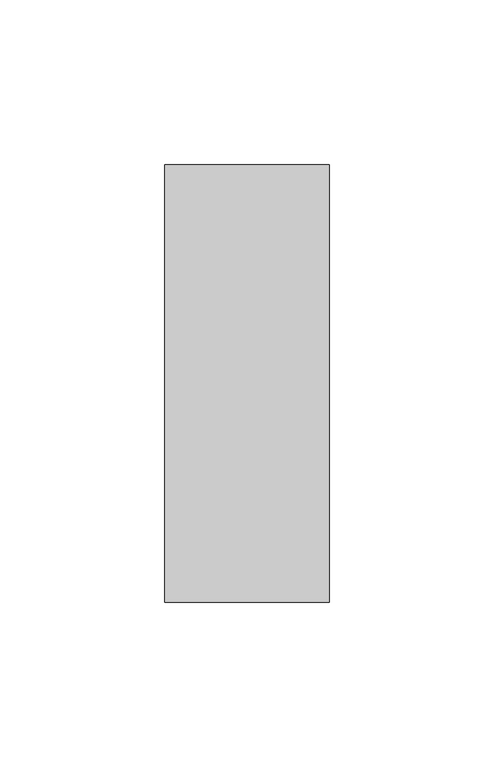
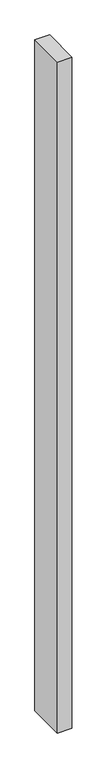
"""IFC4 building model written with IfcOpenShell, lengths in millimetres: member geometry."""

import ifcopenshell
import ifcopenshell.guid

model = None  # the IFC model being written
_history = None  # IfcOwnerHistory: only IFC2X3 demands one
_inside = {}  # id of a spatial element -> (the spatial element, [elements in it])
_under = {}  # id of a project, library or spatial element -> (it, [spatial elements below it])
_declared = {}  # id of a project -> (the project, [libraries it declares])
_typed = {}  # id of a type object -> (the type object, [elements of that type])
_made_of = {}  # id of a material, layer set ... -> (it, [elements and type objects made of it])


def new_model(schema):
    """Start an empty IFC model of exactly this schema.

    Asked for "IFC4X3", IfcOpenShell would pick the latest addendum, in which some entities
    have other attributes; the version numbers below select the first issue.
    IFC2X3 requires an IfcOwnerHistory on every rooted entity: one is made here for all.
    """
    global model, _history
    if schema == "IFC4X3":
        model = ifcopenshell.file(schema_version=(4, 3, 0, 0))
    else:
        model = ifcopenshell.file(schema=schema)
    _inside.clear()
    _under.clear()
    _declared.clear()
    _typed.clear()
    _made_of.clear()
    _history = None
    if model.schema == "IFC2X3":
        org = make("IfcOrganization", Name="unknown")
        user = make(
            "IfcPersonAndOrganization",
            ThePerson=make("IfcPerson", FamilyName="unknown"),
            TheOrganization=org,
        )
        app = make(
            "IfcApplication",
            ApplicationDeveloper=org,
            Version="unknown",
            ApplicationFullName="unknown",
            ApplicationIdentifier="unknown",
        )
        _history = make(
            "IfcOwnerHistory",
            OwningUser=user,
            OwningApplication=app,
            ChangeAction="ADDED",
            CreationDate=0,
        )
    return model


def make(cls, **values):
    """One entity of the class cls with the attributes given. An attribute that is None is left unset."""
    return model.create_entity(
        cls, **{name: value for name, value in values.items() if value is not None}
    )


def rooted(cls, **values):
    """An entity with a GlobalId (a new one), such as an element, a storey or a relation."""
    return make(cls, GlobalId=ifcopenshell.guid.new(), OwnerHistory=_history, **values)


def si_unit(unit_type, name, prefix=None):
    """IfcSIUnit, for example si_unit("LENGTHUNIT", "METRE", prefix="MILLI")."""
    return make("IfcSIUnit", UnitType=unit_type, Prefix=prefix, Name=name)


def assignment(units):
    """IfcUnitAssignment: the units of a project."""
    return None if units is None else make("IfcUnitAssignment", Units=units)


def point(xyz):
    """IfcCartesianPoint."""
    return None if xyz is None else make("IfcCartesianPoint", Coordinates=xyz)


def direction(xyz):
    """IfcDirection."""
    return None if xyz is None else make("IfcDirection", DirectionRatios=xyz)


def frame(location, z_axis=None, x_axis=None):
    """IfcAxis2Placement3D, a coordinate frame: its origin and axes. An axis left out is left unset."""
    return make(
        "IfcAxis2Placement3D",
        Location=point(location),
        Axis=direction(z_axis),
        RefDirection=direction(x_axis),
    )


def origin():
    """The frame at (0, 0, 0) with its axes left unset."""
    return frame((0.0, 0.0, 0.0))


def place(relative_to, where):
    """IfcLocalPlacement: puts the frame where relative to a parent placement (None: the world)."""
    return make(
        "IfcLocalPlacement", PlacementRelTo=relative_to, RelativePlacement=where
    )


def context(
    kind, dimensions, precision=None, world=None, true_north=None, identifier=None
):
    """IfcGeometricRepresentationContext, for example the 3D "Model" context."""
    return make(
        "IfcGeometricRepresentationContext",
        ContextIdentifier=identifier,
        ContextType=kind,
        CoordinateSpaceDimension=dimensions,
        Precision=precision,
        WorldCoordinateSystem=world,
        TrueNorth=true_north,
    )


def project(units=None, contexts=None):
    """IfcProject with its units and contexts."""
    return rooted(
        "IfcProject",
        Name="project",
        RepresentationContexts=contexts,
        UnitsInContext=assignment(units),
    )


def spatial(cls, under=None, at=None, **own):
    """A site, building, storey or space (cls), placed at a placement, below another one or the project."""
    s = rooted(cls, ObjectPlacement=at, **own)
    if under is not None:
        _under.setdefault(under.id(), (under, []))[1].append(s)
    return s


def polyline(points):
    """IfcPolyline through the points."""
    return make("IfcPolyline", Points=[point(p) for p in points])


def outline(outer, holes=None, kind="AREA"):
    """IfcArbitraryClosedProfileDef: a profile drawn as a closed curve; with holes, ...WithVoids."""
    if holes is None:
        return make("IfcArbitraryClosedProfileDef", ProfileType=kind, OuterCurve=outer)
    return make(
        "IfcArbitraryProfileDefWithVoids",
        ProfileType=kind,
        OuterCurve=outer,
        InnerCurves=holes,
    )


def extrude(swept, where, along, depth):
    """IfcExtrudedAreaSolid: the profile swept, set in the frame where, extruded along a direction by depth."""
    return make(
        "IfcExtrudedAreaSolid",
        SweptArea=swept,
        Position=where,
        ExtrudedDirection=direction(along),
        Depth=depth,
    )


def shape(context_of_items, identifier, shape_type, items):
    """IfcShapeRepresentation: the items that make up one representation, for example the "Body"."""
    return make(
        "IfcShapeRepresentation",
        ContextOfItems=context_of_items,
        RepresentationIdentifier=identifier,
        RepresentationType=shape_type,
        Items=items,
    )


def source(mapping_origin, context_of_items, identifier, shape_type, items):
    """IfcRepresentationMap: a shape defined once, which mapped items show again and again."""
    return make(
        "IfcRepresentationMap",
        MappingOrigin=mapping_origin,
        MappedRepresentation=shape(context_of_items, identifier, shape_type, items),
    )


def transform(
    local_origin,
    x_axis=None,
    y_axis=None,
    z_axis=None,
    scale=None,
    scale2=None,
    scale3=None,
    uniform=True,
):
    """IfcCartesianTransformationOperator3D, or its non-uniform kind. x_axis, y_axis, z_axis: its Axis1, 2, 3."""
    if uniform:
        return make(
            "IfcCartesianTransformationOperator3D",
            Axis1=direction(x_axis),
            Axis2=direction(y_axis),
            LocalOrigin=point(local_origin),
            Scale=scale,
            Axis3=direction(z_axis),
        )
    return make(
        "IfcCartesianTransformationOperator3DnonUniform",
        Axis1=direction(x_axis),
        Axis2=direction(y_axis),
        LocalOrigin=point(local_origin),
        Scale=scale,
        Axis3=direction(z_axis),
        Scale2=scale2,
        Scale3=scale3,
    )


def mapped(mapping_source, mapping_target):
    """IfcMappedItem: shows the shape of a source again, moved by a transform."""
    return make(
        "IfcMappedItem", MappingSource=mapping_source, MappingTarget=mapping_target
    )


def made_of(thing, what):
    """Note that an element or type object is made of a material, layer set ...; save() writes the relation."""
    if what is not None:
        _made_of.setdefault(what.id(), (what, []))[1].append(thing)
    return thing


def element(
    cls,
    number,
    at=None,
    inside=None,
    cuts=None,
    type_object=None,
    material=None,
    context=None,
    identifier="Body",
    shape_type=None,
    held_by="IfcProductDefinitionShape",
    body=None,
    shapes=None,
    **own,
):
    """One element of the class cls, such as IfcWall. Its Tag is "e" and its number.

    at: its placement. inside: the storey or other place that contains it. cuts: it is an
    opening in that element (IfcRelVoidsElement). A single representation is given by context,
    identifier, shape_type and body (its items); several are given by shapes. held_by: the class
    of the entity that holds the representations. save() writes the other relations.
    """
    e = rooted(cls, Tag="e%d" % number, ObjectPlacement=at, **own)
    if body is not None:
        shapes = [shape(context, identifier, shape_type, body)]
    if shapes is not None:
        e.Representation = make(held_by, Representations=shapes)
    if inside is not None:
        _inside.setdefault(inside.id(), (inside, []))[1].append(e)
    if cuts is not None:
        rooted(
            "IfcRelVoidsElement", RelatingBuildingElement=cuts, RelatedOpeningElement=e
        )
    if type_object is not None:
        _typed.setdefault(type_object.id(), (type_object, []))[1].append(e)
    return made_of(e, material)


def aggregate(whole, parts):
    """IfcRelAggregates: a whole, such as a stair, and the parts it consists of."""
    return rooted("IfcRelAggregates", RelatingObject=whole, RelatedObjects=parts)


def save(model, path):
    """Write the relations noted so far, then the file.

    IfcRelAggregates (storeys below a building ...), IfcRelContainedInSpatialStructure (elements
    in a storey), IfcRelDefinesByType, IfcRelAssociatesMaterial and IfcRelDeclares: one each for
    every whole, place, type object, material and project.
    """
    for whole, parts in _under.values():
        aggregate(whole, parts)
    for where, things in _inside.values():
        rooted(
            "IfcRelContainedInSpatialStructure",
            RelatedElements=things,
            RelatingStructure=where,
        )
    for kind, things in _typed.values():
        rooted("IfcRelDefinesByType", RelatedObjects=things, RelatingType=kind)
    for what, things in _made_of.values():
        rooted("IfcRelAssociatesMaterial", RelatedObjects=things, RelatingMaterial=what)
    for by, libraries in _declared.values():
        rooted("IfcRelDeclares", RelatingContext=by, RelatedDefinitions=libraries)
    model.write(path)


def member_4f44f9c9(model_context):
    return source(origin(), model_context, "Body", "SweptSolid", [
        extrude(outline(polyline([(-50.0, -22.0), (-50.0, 111.0), (0.0, 111.0), (0.0, -22.0), (-50.0, -22.0)])), frame((0.0, 0.0, -2425.0), z_axis=(0.0, 0.0, 1.0), x_axis=(1.0, 0.0, 0.0)), (0.0, 0.0, 1.0), 2425.0),
    ])


if __name__ == "__main__":
    model = new_model("IFC4")
    model_context = context("Model", 3, world=origin())
    ifc_project = project(units=[si_unit("LENGTHUNIT", "METRE", prefix="MILLI")], contexts=[model_context])
    site = spatial("IfcSite", under=ifc_project)
    building = spatial("IfcBuilding", under=site)
    placement = place(None, origin())
    member_shape = member_4f44f9c9(model_context)
    element("IfcMember", 1, at=placement, inside=building, context=model_context, shape_type="MappedRepresentation", body=[
        mapped(member_shape, transform((0.0, 0.0, 0.0), x_axis=(1.0, 0.0, 0.0), y_axis=(0.0, 1.0, 0.0), z_axis=(0.0, 0.0, 1.0))),
    ])
    save(model, "model.ifc")
